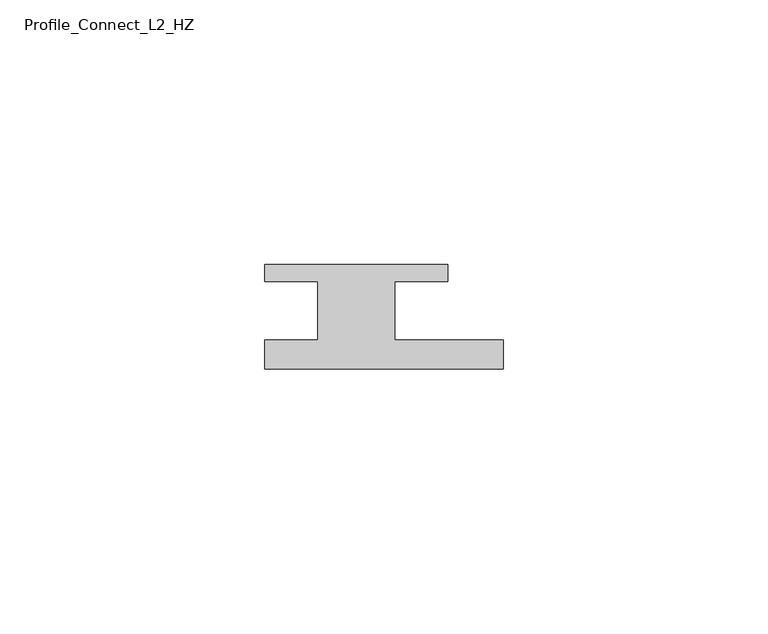
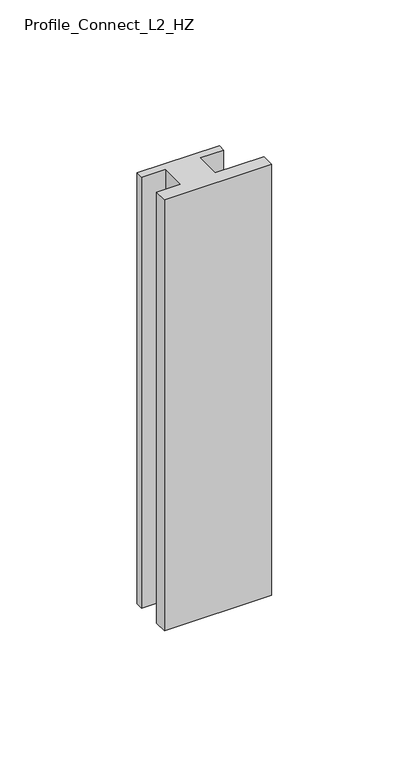
"""IFC4 building model written with IfcOpenShell, lengths in millimetres: member geometry, Profile_Connect_L2_HZ."""

from ifc_helpers import new_model, si_unit, frame, origin, place, context, project, spatial, polyline, outline, extrude, source, transform, mapped, element, save


def profile_connect_l2_hz_0edb564a(model_context):
    return source(origin(), model_context, "Body", "SweptSolid", [
        extrude(outline(polyline([(26.6, -5.5), (26.6, -11.0), (-18.4, -11.0), (-18.4, -5.5), (-8.4, -5.5), (-8.4, 5.5), (-18.4, 5.5), (-18.4, 8.7), (16.1, 8.7), (16.1, 5.5), (6.1, 5.5), (6.1, -5.5), (26.6, -5.5)])), frame((0.0, 0.0, -191.3), z_axis=(0.0, 0.0, 1.0), x_axis=(1.0, 0.0, 0.0)), (0.0, 0.0, 1.0), 191.3),
    ])


if __name__ == "__main__":
    model = new_model("IFC4")
    model_context = context("Model", 3, world=origin())
    ifc_project = project(units=[si_unit("LENGTHUNIT", "METRE", prefix="MILLI")], contexts=[model_context])
    site = spatial("IfcSite", under=ifc_project)
    building = spatial("IfcBuilding", under=site)
    placement = place(None, origin())
    profile_connect_l2_hz_shape = profile_connect_l2_hz_0edb564a(model_context)
    element("IfcMember", 1, ObjectType="Profile_Connect_L2_HZ", at=placement, inside=building, context=model_context, shape_type="MappedRepresentation", body=[
        mapped(profile_connect_l2_hz_shape, transform((0.0, 0.0, 0.0), x_axis=(1.0, 0.0, 0.0), y_axis=(0.0, 1.0, 0.0), z_axis=(0.0, 0.0, 1.0))),
    ])
    save(model, "model.ifc")
